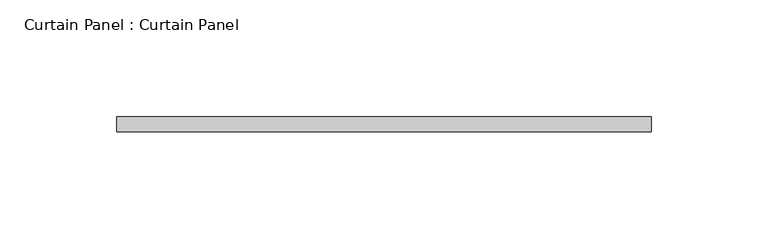
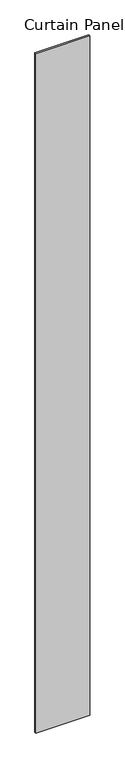
"""IFC4 building model written with IfcOpenShell, lengths in millimetres: plate geometry, Curtain Panel : Curtain Panel."""

from ifc_helpers import new_model, si_unit, origin, origin_with_axes, place, context, project, spatial, polyline, outline, extrude, source, transform, mapped, element, save


def curtain_panel_curtain_panel_103f93dc(model_context):
    return source(origin(), model_context, "Body", "SweptSolid", [
        extrude(outline(polyline([(7144.6344141, 92766.5786056), (6916.0344141, 92766.5786056), (6916.0344141, 92772.9286056), (7144.6344141, 92772.9286056), (7144.6344141, 92766.5786056)])), origin_with_axes(), (0.0, 0.0, 1.0), 3048.0),
    ])


if __name__ == "__main__":
    model = new_model("IFC4")
    model_context = context("Model", 3, world=origin())
    ifc_project = project(units=[si_unit("LENGTHUNIT", "METRE", prefix="MILLI")], contexts=[model_context])
    site = spatial("IfcSite", under=ifc_project)
    building = spatial("IfcBuilding", under=site)
    placement = place(None, origin())
    curtain_panel_curtain_panel_shape = curtain_panel_curtain_panel_103f93dc(model_context)
    element("IfcPlate", 1, ObjectType="Curtain Panel : Curtain Panel", at=placement, inside=building, context=model_context, shape_type="MappedRepresentation", body=[
        mapped(curtain_panel_curtain_panel_shape, transform((0.0, 0.0, 0.0), x_axis=(1.0, 0.0, 0.0), y_axis=(0.0, 1.0, 0.0), z_axis=(0.0, 0.0, 1.0))),
    ])
    save(model, "model.ifc")
